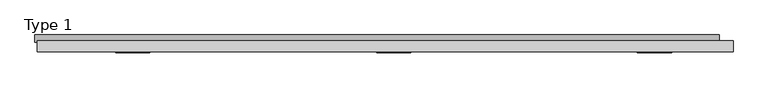
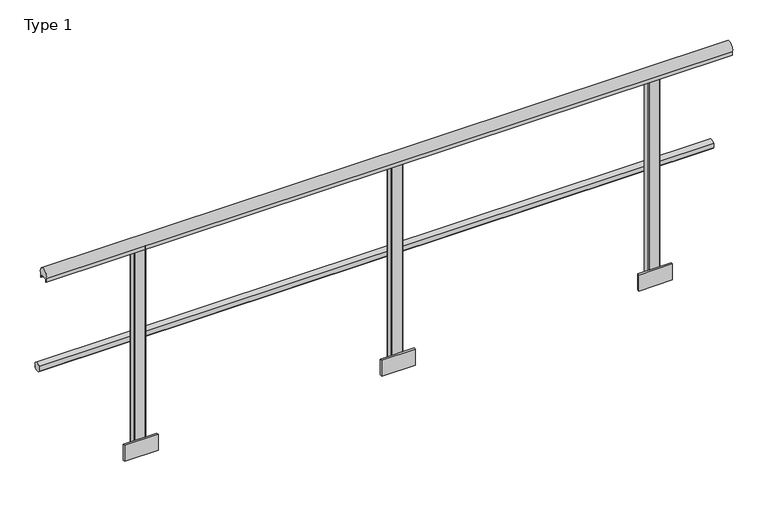
"""IFC4 building model written with IfcOpenShell, lengths in millimetres: railing geometry, Type 1."""

from ifc_helpers import new_model, si_unit, point, frame, frame_2d, origin, place, context, project, spatial, polyline, circle_curve, trimmed, segment, composite_curve, outline, extrude, source, transform, mapped, element, save


def type_1_961bef03(model_context):
    return source(origin(), model_context, "Body", "SweptSolid", [
        extrude(outline(composite_curve([segment(trimmed(circle_curve(frame_2d((15.712495, 488.0)), 20.0), [point((34.3, 480.617273))], [point((0.0, 475.6259343))], False, "CARTESIAN"), True, "CONTINUOUS"), segment(polyline([(0.0, 475.6259343), (0.0, 500.3740657)]), True, "CONTINUOUS"), segment(trimmed(circle_curve(frame_2d((15.712495, 488.0)), 20.0), [point((0.0, 500.3740657))], [point((34.3, 495.382727))], False, "CARTESIAN"), True, "CONTINUOUS"), segment(polyline([(34.3, 495.382727), (30.3, 495.382727), (30.3, 480.617273), (34.3, 480.617273)]), True, "CONTINUOUS")], self_intersect=False)), frame((-430.0, 0.0, 0.0), z_axis=(1.0, 0.0, 0.0), x_axis=(0.0, 1.0, 0.0)), (0.0, 0.0, 1.0), 3205.0),
        extrude(outline(composite_curve([segment(trimmed(circle_curve(frame_2d((-19.0, 975.0)), 25.0), [point((-40.0, 961.43534))], [point((2.0, 961.43534))], False, "CARTESIAN"), True, "CONTINUOUS"), segment(polyline([(2.0, 961.43534), (2.0, 943.0), (1.0, 943.0), (1.0, 958.0), (-39.0, 958.0), (-39.0, 943.0), (-40.0, 943.0), (-40.0, 961.43534)]), True, "CONTINUOUS")], self_intersect=False)), frame((-420.0, 0.0, 0.0), z_axis=(1.0, 0.0, 0.0), x_axis=(0.0, 1.0, 0.0)), (0.0, 0.0, 1.0), 3260.0),
        extrude(outline(polyline([(1330.0, -48.5), (1170.0, -48.5), (1170.0, -38.0), (1330.0, -38.0), (1330.0, -48.5)])), frame((0.0, 0.0, -80.0), z_axis=(0.0, 0.0, 1.0), x_axis=(1.0, 0.0, 0.0)), (0.0, 0.0, 1.0), 80.0),
        extrude(outline(composite_curve([segment(trimmed(circle_curve(frame_2d((1227.0, -33.0)), 5.0), [point((1227.0, -38.0))], [point((1222.0, -33.0))], False, "CARTESIAN"), True, "CONTINUOUS"), segment(polyline([(1222.0, -33.0), (1222.0, -5.0)]), True, "CONTINUOUS"), segment(trimmed(circle_curve(frame_2d((1227.0, -5.0)), 5.0), [point((1222.0, -5.0))], [point((1227.0, 0.0))], False, "CARTESIAN"), True, "CONTINUOUS"), segment(polyline([(1227.0, 0.0), (1273.0, 0.0)]), True, "CONTINUOUS"), segment(trimmed(circle_curve(frame_2d((1273.0, -5.0)), 5.0), [point((1273.0, 0.0))], [point((1278.0, -5.0))], False, "CARTESIAN"), True, "CONTINUOUS"), segment(polyline([(1278.0, -5.0), (1278.0, -33.0)]), True, "CONTINUOUS"), segment(trimmed(circle_curve(frame_2d((1273.0, -33.0)), 5.0), [point((1278.0, -33.0))], [point((1273.0, -38.0))], False, "CARTESIAN"), True, "CONTINUOUS"), segment(polyline([(1273.0, -38.0), (1227.0, -38.0)]), True, "CONTINUOUS")], self_intersect=False)), frame((0.0, 0.0, -80.0), z_axis=(0.0, 0.0, 1.0), x_axis=(1.0, 0.0, 0.0)), (0.0, 0.0, 1.0), 1038.0),
        extrude(outline(polyline([(2552.0, -48.5), (2392.0, -48.5), (2392.0, -38.0), (2552.0, -38.0), (2552.0, -48.5)])), frame((0.0, 0.0, -80.0), z_axis=(0.0, 0.0, 1.0), x_axis=(1.0, 0.0, 0.0)), (0.0, 0.0, 1.0), 80.0),
        extrude(outline(composite_curve([segment(trimmed(circle_curve(frame_2d((2449.0, -33.0)), 5.0), [point((2449.0, -38.0))], [point((2444.0, -33.0))], False, "CARTESIAN"), True, "CONTINUOUS"), segment(polyline([(2444.0, -33.0), (2444.0, -5.0)]), True, "CONTINUOUS"), segment(trimmed(circle_curve(frame_2d((2449.0, -5.0)), 5.0), [point((2444.0, -5.0))], [point((2449.0, 0.0))], False, "CARTESIAN"), True, "CONTINUOUS"), segment(polyline([(2449.0, 0.0), (2495.0, 0.0)]), True, "CONTINUOUS"), segment(trimmed(circle_curve(frame_2d((2495.0, -5.0)), 5.0), [point((2495.0, 0.0))], [point((2500.0, -5.0))], False, "CARTESIAN"), True, "CONTINUOUS"), segment(polyline([(2500.0, -5.0), (2500.0, -33.0)]), True, "CONTINUOUS"), segment(trimmed(circle_curve(frame_2d((2495.0, -33.0)), 5.0), [point((2500.0, -33.0))], [point((2495.0, -38.0))], False, "CARTESIAN"), True, "CONTINUOUS"), segment(polyline([(2495.0, -38.0), (2449.0, -38.0)]), True, "CONTINUOUS")], self_intersect=False)), frame((0.0, 0.0, -80.0), z_axis=(0.0, 0.0, 1.0), x_axis=(1.0, 0.0, 0.0)), (0.0, 0.0, 1.0), 1038.0),
        extrude(outline(polyline([(108.0, -48.5), (-52.0, -48.5), (-52.0, -38.0), (108.0, -38.0), (108.0, -48.5)])), frame((0.0, 0.0, -80.0), z_axis=(0.0, 0.0, 1.0), x_axis=(1.0, 0.0, 0.0)), (0.0, 0.0, 1.0), 80.0),
        extrude(outline(composite_curve([segment(trimmed(circle_curve(frame_2d((5.0, -33.0)), 5.0), [point((5.0, -38.0))], [point((0.0, -33.0))], False, "CARTESIAN"), True, "CONTINUOUS"), segment(polyline([(0.0, -33.0), (0.0, -5.0)]), True, "CONTINUOUS"), segment(trimmed(circle_curve(frame_2d((5.0, -5.0)), 5.0), [point((0.0, -5.0))], [point((5.0, 0.0))], False, "CARTESIAN"), True, "CONTINUOUS"), segment(polyline([(5.0, 0.0), (51.0, 0.0)]), True, "CONTINUOUS"), segment(trimmed(circle_curve(frame_2d((51.0, -5.0)), 5.0), [point((51.0, 0.0))], [point((56.0, -5.0))], False, "CARTESIAN"), True, "CONTINUOUS"), segment(polyline([(56.0, -5.0), (56.0, -33.0)]), True, "CONTINUOUS"), segment(trimmed(circle_curve(frame_2d((51.0, -33.0)), 5.0), [point((56.0, -33.0))], [point((51.0, -38.0))], False, "CARTESIAN"), True, "CONTINUOUS"), segment(polyline([(51.0, -38.0), (5.0, -38.0)]), True, "CONTINUOUS")], self_intersect=False)), frame((0.0, 0.0, -80.0), z_axis=(0.0, 0.0, 1.0), x_axis=(1.0, 0.0, 0.0)), (0.0, 0.0, 1.0), 1038.0),
    ])


if __name__ == "__main__":
    model = new_model("IFC4")
    model_context = context("Model", 3, world=origin())
    ifc_project = project(units=[si_unit("LENGTHUNIT", "METRE", prefix="MILLI")], contexts=[model_context])
    site = spatial("IfcSite", under=ifc_project)
    building = spatial("IfcBuilding", under=site)
    placement = place(None, origin())
    type_1_shape = type_1_961bef03(model_context)
    element("IfcRailing", 1, ObjectType="Type 1", at=placement, inside=building, context=model_context, shape_type="MappedRepresentation", body=[
        mapped(type_1_shape, transform((0.0, 0.0, 0.0), x_axis=(1.0, 0.0, 0.0), y_axis=(0.0, 1.0, 0.0), z_axis=(0.0, 0.0, 1.0))),
    ])
    save(model, "model.ifc")
